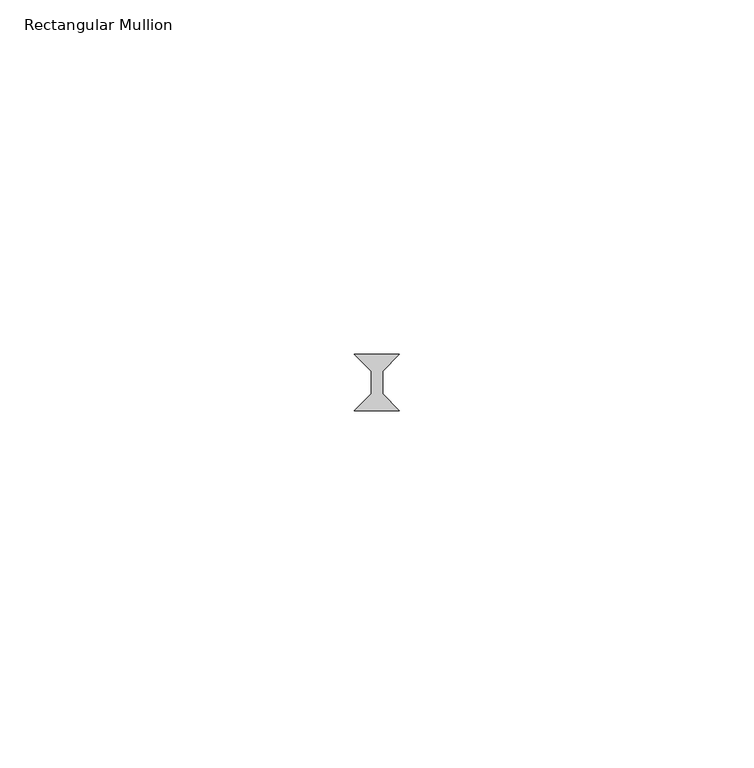
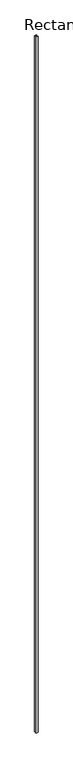
"""IFC4 building model written with IfcOpenShell, lengths in millimetres: member geometry, Rectangular Mullion."""

from ifc_helpers import new_model, si_unit, frame, origin, place, context, project, spatial, polyline, outline, extrude, source, transform, mapped, element, save


def rectangular_mullion_38417737(model_context):
    return source(origin(), model_context, "Body", "SweptSolid", [
        extrude(outline(polyline([(3.175, 34.13125), (0.79375, 31.75), (0.79375, 28.575), (3.175, 26.19375), (-3.175, 26.19375), (-0.79375, 28.575), (-0.79375, 31.75), (-3.175, 34.13125), (3.175, 34.13125)])), frame((0.0, 0.0, -2359.025), z_axis=(0.0, 0.0, 1.0), x_axis=(1.0, 0.0, 0.0)), (0.0, 0.0, 1.0), 2359.025),
    ])


if __name__ == "__main__":
    model = new_model("IFC4")
    model_context = context("Model", 3, world=origin())
    ifc_project = project(units=[si_unit("LENGTHUNIT", "METRE", prefix="MILLI")], contexts=[model_context])
    site = spatial("IfcSite", under=ifc_project)
    building = spatial("IfcBuilding", under=site)
    placement = place(None, origin())
    rectangular_mullion_shape = rectangular_mullion_38417737(model_context)
    element("IfcMember", 1, ObjectType="Rectangular Mullion", at=placement, inside=building, context=model_context, shape_type="MappedRepresentation", body=[
        mapped(rectangular_mullion_shape, transform((0.0, 0.0, 0.0), x_axis=(1.0, 0.0, 0.0), y_axis=(0.0, 1.0, 0.0), z_axis=(0.0, 0.0, 1.0))),
    ])
    save(model, "model.ifc")
